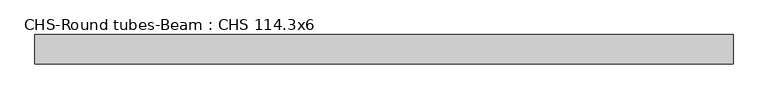
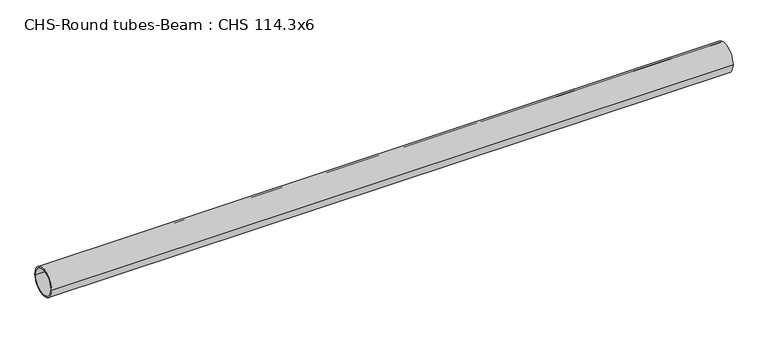
"""IFC4 building model written with IfcOpenShell, lengths in millimetres: beam geometry, CHS-Round tubes-Beam : CHS 114.3x6."""

from ifc_helpers import new_model, si_unit, point, frame, origin, origin_2d, place, context, project, spatial, circle_curve, trimmed, segment, composite_curve, outline, extrude, source, transform, mapped, element, save


def chs_round_tubes_beam_chs_114_3x6_57473243(model_context):
    return source(origin(), model_context, "Body", "SweptSolid", [
        extrude(outline(composite_curve([segment(trimmed(circle_curve(origin_2d(), 57.15), [point((57.15, 0.0))], [point((-57.15, 0.0))], False, "CARTESIAN"), True, "CONTINUOUS"), segment(trimmed(circle_curve(origin_2d(), 57.15), [point((-57.15, 0.0))], [point((57.15, 0.0))], False, "CARTESIAN"), True, "CONTINUOUS")], self_intersect=False), holes=[composite_curve([segment(trimmed(circle_curve(origin_2d(), 51.15), [point((51.15, 0.0))], [point((-51.15, 0.0))], True, "CARTESIAN"), True, "CONTINUOUS"), segment(trimmed(circle_curve(origin_2d(), 51.15), [point((-51.15, 0.0))], [point((51.15, 0.0))], True, "CARTESIAN"), True, "CONTINUOUS")], self_intersect=False)]), frame((-1319.8867374, 0.0, 0.0), z_axis=(1.0, 0.0, 0.0), x_axis=(0.0, 1.0, 0.0)), (0.0, 0.0, 1.0), 2722.3969899),
    ])


if __name__ == "__main__":
    model = new_model("IFC4")
    model_context = context("Model", 3, world=origin())
    ifc_project = project(units=[si_unit("LENGTHUNIT", "METRE", prefix="MILLI")], contexts=[model_context])
    site = spatial("IfcSite", under=ifc_project)
    building = spatial("IfcBuilding", under=site)
    placement = place(None, origin())
    chs_round_tubes_beam_chs_114_3x6_shape = chs_round_tubes_beam_chs_114_3x6_57473243(model_context)
    element("IfcBeam", 1, ObjectType="CHS-Round tubes-Beam : CHS 114.3x6", at=placement, inside=building, context=model_context, shape_type="MappedRepresentation", body=[
        mapped(chs_round_tubes_beam_chs_114_3x6_shape, transform((0.0, 0.0, 0.0), x_axis=(1.0, 0.0, 0.0), y_axis=(0.0, 1.0, 0.0), z_axis=(0.0, 0.0, 1.0))),
    ])
    save(model, "model.ifc")
